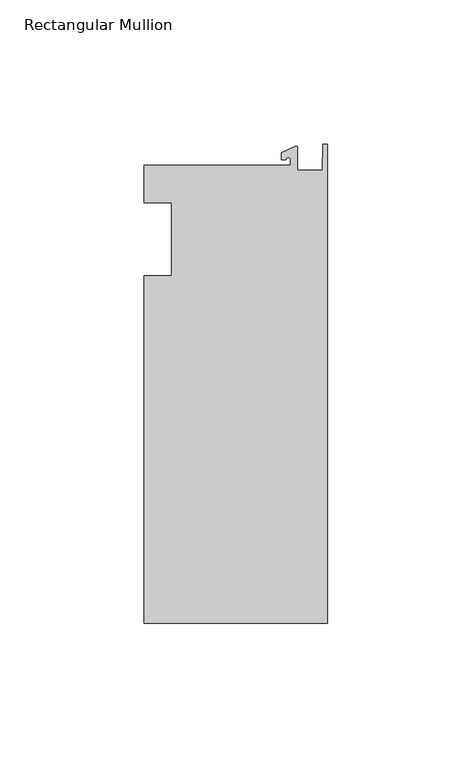
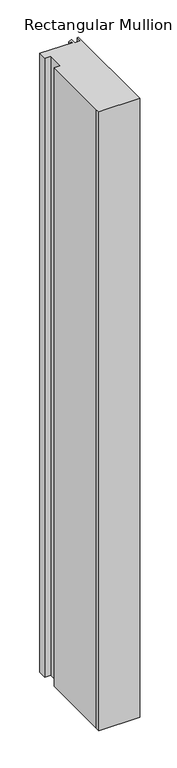
"""IFC4 building model written with IfcOpenShell, lengths in millimetres: member geometry, Rectangular Mullion."""

from ifc_helpers import new_model, si_unit, point, frame, frame_2d, origin, place, context, project, spatial, polyline, circle_curve, trimmed, segment, composite_curve, outline, extrude, source, transform, mapped, element, save


def rectangular_mullion_d2594f9d(model_context):
    return source(origin(), model_context, "Body", "SweptSolid", [
        extrude(outline(composite_curve([segment(polyline([(-12.8216721, 25.5984375), (-12.8216721, 27.5208534)]), True, "CONTINUOUS"), segment(trimmed(circle_curve(frame_2d((-13.6154221, 27.5208534)), 0.79375), [point((-12.8216721, 27.5208534))], [point((-14.4091721, 27.5208534))], True, "CARTESIAN"), True, "CONTINUOUS"), segment(polyline([(-14.4091721, 27.5208534), (-15.9966721, 27.5208534), (-15.9966721, 29.8830527), (-11.1567622, 32.1399398)]), True, "CONTINUOUS"), segment(trimmed(circle_curve(frame_2d((-10.9420721, 31.6795354)), 0.508), [point((-11.1567622, 32.1399398))], [point((-10.4340721, 31.6795354))], False, "CARTESIAN"), True, "CONTINUOUS"), segment(polyline([(-10.4340721, 31.6795354), (-10.4340721, 23.9227662), (-1.7144124, 23.9227662), (-1.5566453, 32.810012), (0.0, 32.810012), (0.0, -132.822512), (-63.5, -132.822512), (-63.5, -125.075512), (-63.5, -12.7), (-53.975, -12.7), (-53.975, 12.7), (-63.5, 12.7), (-63.5, 25.5984375), (-12.8216721, 25.5984375)]), True, "CONTINUOUS")], self_intersect=False)), frame((0.0, 0.0, -1016.0), z_axis=(0.0, 0.0, 1.0), x_axis=(1.0, 0.0, 0.0)), (0.0, 0.0, 1.0), 1016.0),
    ])


if __name__ == "__main__":
    model = new_model("IFC4")
    model_context = context("Model", 3, world=origin())
    ifc_project = project(units=[si_unit("LENGTHUNIT", "METRE", prefix="MILLI")], contexts=[model_context])
    site = spatial("IfcSite", under=ifc_project)
    building = spatial("IfcBuilding", under=site)
    placement = place(None, origin())
    rectangular_mullion_shape = rectangular_mullion_d2594f9d(model_context)
    element("IfcMember", 1, ObjectType="Rectangular Mullion", at=placement, inside=building, context=model_context, shape_type="MappedRepresentation", body=[
        mapped(rectangular_mullion_shape, transform((0.0, 0.0, 0.0), x_axis=(1.0, 0.0, 0.0), y_axis=(0.0, 1.0, 0.0), z_axis=(0.0, 0.0, 1.0))),
    ])
    save(model, "model.ifc")
